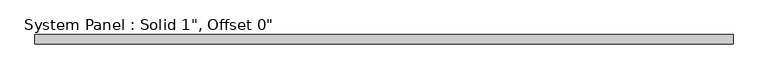
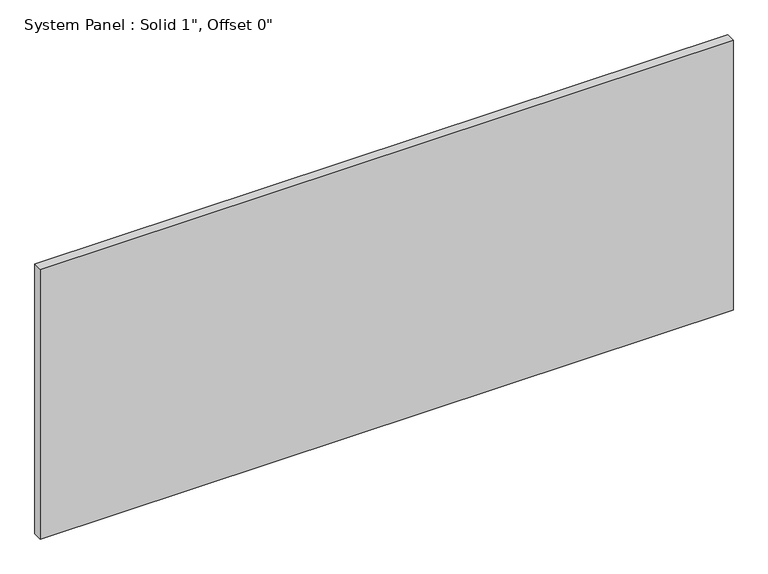
"""IFC4 building model written with IfcOpenShell, lengths in millimetres: plate geometry."""

from ifc_helpers import new_model, si_unit, origin, origin_with_axes, place, context, project, spatial, polyline, outline, extrude, source, transform, mapped, element, save


def plate_b67c1967(model_context):
    return source(origin(), model_context, "Body", "SweptSolid", [
        extrude(outline(polyline([(968.375, -12.7), (-968.375, -12.7), (-968.375, 12.7), (968.375, 12.7), (968.375, -12.7)])), origin_with_axes(), (0.0, 0.0, 1.0), 797.5995022),
    ])


if __name__ == "__main__":
    model = new_model("IFC4")
    model_context = context("Model", 3, world=origin())
    ifc_project = project(units=[si_unit("LENGTHUNIT", "METRE", prefix="MILLI")], contexts=[model_context])
    site = spatial("IfcSite", under=ifc_project)
    building = spatial("IfcBuilding", under=site)
    placement = place(None, origin())
    plate_shape = plate_b67c1967(model_context)
    element("IfcPlate", 1, ObjectType="System Panel : Solid 1\", Offset 0\"", at=placement, inside=building, context=model_context, shape_type="MappedRepresentation", body=[
        mapped(plate_shape, transform((0.0, 0.0, 0.0), x_axis=(1.0, 0.0, 0.0), y_axis=(0.0, 1.0, 0.0), z_axis=(0.0, 0.0, 1.0))),
    ])
    save(model, "model.ifc")
